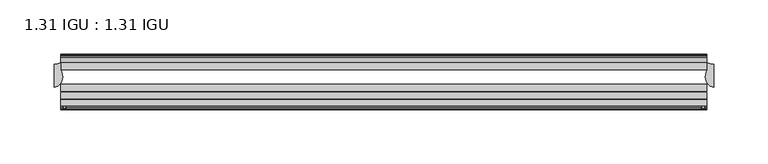
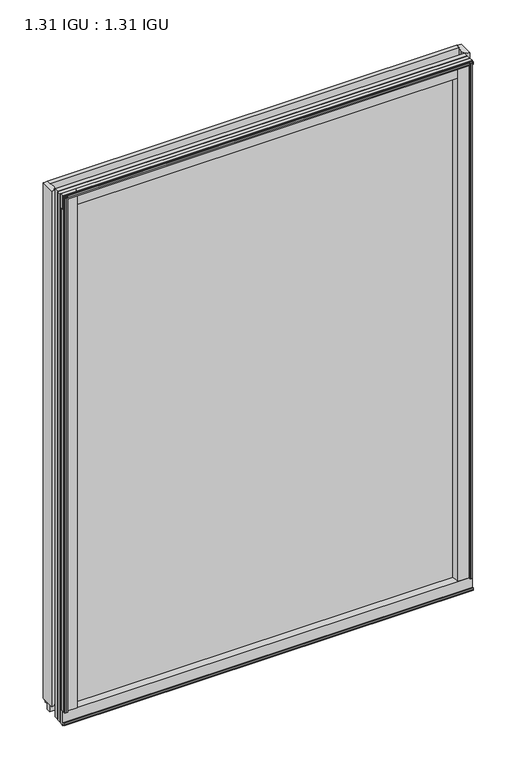
"""IFC4 building model written with IfcOpenShell, lengths in millimetres: plate geometry, 1.31 IGU : 1.31 IGU."""

from ifc_helpers import new_model, si_unit, point, frame, frame_2d, origin, origin_with_axes, place, context, project, spatial, polyline, circle_curve, ellipse_curve, trimmed, segment, composite_curve, outline, extrude, source, transform, mapped, element, save
from ifc_brep_helpers import plane_surface, cylinder_surface, revolved_surface, extruded_surface, advanced_brep


def plate_1_31_igu_1_31_igu_d8e0d981(model_context):
    return source(origin(), model_context, "Body", "SolidModel", [
        extrude(outline(composite_curve([segment(polyline([(293.6995906, -57.6333938), (277.5148437, -57.6333938)]), True, "CONTINUOUS"), segment(trimmed(circle_curve(frame_2d((270.2201146, -57.6547678)), 7.2947605), [point((277.5148437, -57.6333938))], [point((273.7724551, -51.2833938))], True, "CARTESIAN"), True, "CONTINUOUS"), segment(polyline([(273.7724551, -51.2833938), (296.642876, -51.2833938)]), True, "CONTINUOUS"), segment(trimmed(circle_curve(frame_2d((296.642876, -52.0707938)), 0.7874), [point((296.642876, -51.2833938))], [point((297.4244069, -51.9748338))], False, "CARTESIAN"), True, "CONTINUOUS"), segment(polyline([(297.4244069, -51.9748338), (298.1191906, -57.6333938), (296.1887906, -57.6333938), (295.7315906, -59.624458), (296.7329525, -59.3561439), (296.9761906, -60.263921), (294.9441906, -60.8083938), (292.9121906, -60.263921), (293.1554288, -59.3561439), (294.1567906, -59.624458), (293.6995906, -57.6333938)]), True, "CONTINUOUS")], self_intersect=False)), origin_with_axes(), (0.0, 0.0, 1.0), 793.75),
        extrude(outline(composite_curve([segment(polyline([(-277.8125, -57.6333937), (-293.9972469, -57.6333937), (-294.4544469, -59.624458), (-293.453085, -59.3561439), (-293.2098469, -60.263921), (-295.2418469, -60.8083937), (-297.2738469, -60.263921), (-297.0306088, -59.3561439), (-296.0292469, -59.624458), (-296.4864469, -57.6333937), (-298.4168469, -57.6333937), (-297.7220631, -51.9748338)]), True, "CONTINUOUS"), segment(trimmed(circle_curve(frame_2d((-296.9405323, -52.0707937)), 0.7874), [point((-297.7220631, -51.9748338))], [point((-296.9405323, -51.2833937))], False, "CARTESIAN"), True, "CONTINUOUS"), segment(polyline([(-296.9405323, -51.2833937), (-274.0701114, -51.2833937)]), True, "CONTINUOUS"), segment(trimmed(circle_curve(frame_2d((-270.5177708, -57.6547678)), 7.2947605), [point((-274.0701114, -51.2833937))], [point((-277.8125, -57.6333937))], True, "CARTESIAN"), True, "CONTINUOUS")], self_intersect=False)), origin_with_axes(), (0.0, 0.0, 1.0), 793.75),
        extrude(outline(polyline([(-9.7543937, -6.8579998), (-10.4009552, -9.2709998), (-11.2596632, -9.0409097), (-10.8839895, -7.6388763), (-13.1833937, -8.3819998), (-13.1833937, -11.7850089), (-17.9585937, -10.1533914), (-17.9585937, 0.6595133), (-13.1833937, -0.5079998), (-13.1833937, -5.4609998), (-10.8839895, -6.0771233), (-11.2596632, -4.6750899), (-10.4009552, -4.4449998), (-9.7543937, -6.8579998)])), frame((-298.45, 0.0, 0.0), z_axis=(1.0, 0.0, 0.0), x_axis=(0.0, 1.0, 0.0)), (0.0, 0.0, 1.0), 596.6023438),
        extrude(outline(composite_curve([segment(polyline([(-51.9748338, -19.930016), (-57.6333937, -20.6247998), (-57.6333937, -18.6943998), (-59.624458, -18.2371998), (-59.3561439, -19.2385617), (-60.263921, -19.4817998), (-60.8083937, -17.4497998), (-60.263921, -15.4177998), (-59.3561439, -15.6610379), (-59.624458, -16.6623998), (-57.6333937, -16.2051998), (-57.6333937, 0.0127002)]), True, "CONTINUOUS"), segment(trimmed(circle_curve(frame_2d((-58.1588233, 7.9620141)), 7.9666598), [point((-57.6333937, 0.0127002))], [point((-51.2833937, 3.9375717))], True, "CARTESIAN"), True, "CONTINUOUS"), segment(polyline([(-51.2833937, 3.9375717), (-51.2833937, -19.1484852)]), True, "CONTINUOUS"), segment(trimmed(circle_curve(frame_2d((-52.0707937, -19.1484852)), 0.7874), [point((-51.2833937, -19.1484852))], [point((-51.9748338, -19.930016))], False, "CARTESIAN"), True, "CONTINUOUS")], self_intersect=False)), frame((-298.45, 0.0, 0.0), z_axis=(1.0, 0.0, 0.0), x_axis=(0.0, 1.0, 0.0)), (0.0, 0.0, 1.0), 596.6023438),
        extrude(outline(polyline([(-17.9585937, 784.8533914), (-13.1833937, 786.4850089), (-13.1833937, 783.0819998), (-10.8839895, 782.3388763), (-11.2596632, 783.7409097), (-10.4009552, 783.9709998), (-9.7543937, 781.5579998), (-10.4009552, 779.1449998), (-11.2596632, 779.3750899), (-10.8839895, 780.7771233), (-13.1833937, 780.1609998), (-13.1833937, 775.2079998), (-17.9585937, 774.0404867), (-17.9585937, 784.8533914)])), frame((-298.45, 0.0, 0.0), z_axis=(1.0, 0.0, 0.0), x_axis=(0.0, 1.0, 0.0)), (0.0, 0.0, 1.0), 596.6023438),
        extrude(outline(composite_curve([segment(trimmed(circle_curve(frame_2d((-52.0707937, 793.8484852)), 0.7874), [point((-51.9748338, 794.630016))], [point((-51.2833937, 793.8484852))], False, "CARTESIAN"), True, "CONTINUOUS"), segment(polyline([(-51.2833937, 793.8484852), (-51.2833937, 770.7624283)]), True, "CONTINUOUS"), segment(trimmed(circle_curve(frame_2d((-58.1588233, 766.7379859)), 7.9666598), [point((-51.2833937, 770.7624283))], [point((-57.6333937, 774.6872998))], True, "CARTESIAN"), True, "CONTINUOUS"), segment(polyline([(-57.6333937, 774.6872998), (-57.6333937, 790.9051998), (-59.624458, 791.3623998), (-59.3561439, 790.3610379), (-60.263921, 790.1177998), (-60.8083937, 792.1497998), (-60.263921, 794.1817998), (-59.3561439, 793.9385617), (-59.624458, 792.9371998), (-57.6333937, 793.3943998), (-57.6333937, 795.3247998), (-51.9748338, 794.630016)]), True, "CONTINUOUS")], self_intersect=False)), frame((-298.45, 0.0, 0.0), z_axis=(1.0, 0.0, 0.0), x_axis=(0.0, 1.0, 0.0)), (0.0, 0.0, 1.0), 596.6023438),
        advanced_brep(
        [(-298.4372998, -24.3085938, 793.75), (-298.4372998, -17.9585937, 793.75), (-304.7872998, -18.9011397, 793.75), (-304.7872998, -40.2563586, 793.75), (-296.9784173, -31.0522937, 793.75), (-298.4372998, -24.3085938, 0.0), (-296.9784173, -31.0522937, 0.0), (-304.7872998, -40.2563586, 0.0), (-304.7872998, -18.9011397, 0.0), (-298.4372998, -17.9585937, 0.0)],
        [
            (0, 1),
            (1, 2, circle_curve(frame((-304.7872998, 2.9603377, 793.75), z_axis=(0.0, 0.0, -1.0), x_axis=(0.0, 1.0, 0.0)), 21.8614773)),
            (2, 3),
            (3, 4, ellipse_curve(frame((-304.7872998, -31.0522937, 793.75), z_axis=(0.0, 0.0, 1.0), x_axis=(0.0, -1.0, 0.0)), 9.2040648, 7.8088825)),
            (4, 0, circle_curve(frame((-313.2942711, -31.0522937, 793.75), z_axis=(0.0, 0.0, 1.0), x_axis=(0.0, 1.0, 0.0)), 16.3158538)),
            (5, 6, circle_curve(frame((-313.2942711, -31.0522937, 0.0), z_axis=(0.0, 0.0, -1.0), x_axis=(0.0, 1.0, 0.0)), 16.3158538)),
            (6, 7, ellipse_curve(frame((-304.7872998, -31.0522937, 0.0), z_axis=(0.0, 0.0, -1.0), x_axis=(0.0, -1.0, 0.0)), 9.2040648, 7.8088825)),
            (7, 8),
            (8, 9, circle_curve(frame((-304.7872998, 2.9603377, 0.0), z_axis=(0.0, 0.0, 1.0), x_axis=(0.0, 1.0, 0.0)), 21.8614773)),
            (9, 5),
            (0, 5),
            (9, 1),
            (8, 2),
            (7, 3),
            (6, 4),
        ],
        [
            plane_surface(frame((-273.05, -11.6085937, 793.75), z_axis=(0.0, 0.0, 1.0), x_axis=(0.0, 1.0, 0.0))),
            plane_surface(frame((-273.05, -11.6085937, 0.0), z_axis=(0.0, 0.0, -1.0), x_axis=(0.0, 1.0, 0.0))),
            plane_surface(frame((-298.4372998, -24.3085938, 793.75), z_axis=(1.0, 0.0, 0.0), x_axis=(0.0, 0.0, -1.0))),
            revolved_surface(polyline([(-304.7872998, 24.821815, 0.0), (-304.7872998, 24.821815, 793.75)]), (-304.7872998, 2.9603377, 793.75), (0.0, 0.0, -1.0)),
            plane_surface(frame((-304.7872998, -18.9011397, 793.75), z_axis=(-1.0, 0.0, 0.0), x_axis=(0.0, 0.0, -1.0))),
            extruded_surface(trimmed(ellipse_curve(frame((-304.7872998, -31.0522937, 0.0), z_axis=(0.0, 0.0, 1.0), x_axis=(0.0, -1.0, 0.0)), 9.2040648, 7.8088825), [point((-304.7872998, -40.2563586, 0.0))], [point((-296.9784173, -31.0522937, 0.0))], True, "CARTESIAN"), (0.0, 0.0, 793.75), 793.75),
            cylinder_surface(frame((-313.2942711, -31.0522937, 793.75), z_axis=(0.0, 0.0, 1.0), x_axis=(0.0, 1.0, 0.0)), 16.3158538),
        ],
        [
            (0, [[1, 2, 3, 4, 5]]),
            (1, [[6, 7, 8, 9, 10]]),
            (2, [[-1, 11, -10, 12]]),
            (3, [[-2, -12, -9, 13]]),
            (4, [[-3, -13, -8, 14]]),
            (5, [[-4, -14, -7, 15]]),
            (6, [[-5, -15, -6, -11]]),
        ],
    ),
        advanced_brep(
        [(304.8, -18.9011397, 793.75), (298.45, -17.9585938, 793.75), (298.45, -24.3085938, 793.75), (296.9911175, -31.0522938, 793.75), (304.8, -40.2563586, 793.75), (304.8, -18.9011397, 0.0), (304.8, -40.2563586, 0.0), (296.9911175, -31.0522938, 0.0), (298.45, -24.3085938, 0.0), (298.45, -17.9585938, 0.0)],
        [
            (0, 1, circle_curve(frame((304.8, 2.9603377, 793.75), z_axis=(0.0, 0.0, -1.0), x_axis=(0.0, 1.0, 0.0)), 21.8614773)),
            (1, 2),
            (2, 3, circle_curve(frame((313.3069713, -31.0522938, 793.75), z_axis=(0.0, 0.0, 1.0), x_axis=(0.0, 1.0, 0.0)), 16.3158538)),
            (3, 4, ellipse_curve(frame((304.8, -31.0522938, 793.75), z_axis=(0.0, 0.0, 1.0), x_axis=(0.0, -1.0, 0.0)), 9.2040648, 7.8088825)),
            (4, 0),
            (5, 6),
            (6, 7, ellipse_curve(frame((304.8, -31.0522938, 0.0), z_axis=(0.0, 0.0, -1.0), x_axis=(0.0, -1.0, 0.0)), 9.2040648, 7.8088825)),
            (7, 8, circle_curve(frame((313.3069713, -31.0522938, 0.0), z_axis=(0.0, 0.0, -1.0), x_axis=(0.0, 1.0, 0.0)), 16.3158538)),
            (8, 9),
            (9, 5, circle_curve(frame((304.8, 2.9603377, 0.0), z_axis=(0.0, 0.0, 1.0), x_axis=(0.0, 1.0, 0.0)), 21.8614773)),
            (0, 5),
            (9, 1),
            (8, 2),
            (7, 3),
            (6, 4),
        ],
        [
            plane_surface(frame((273.05, -11.6085938, 793.75), z_axis=(0.0, 0.0, 1.0), x_axis=(0.0, 1.0, 0.0))),
            plane_surface(frame((273.05, -11.6085938, 0.0), z_axis=(0.0, 0.0, -1.0), x_axis=(0.0, 1.0, 0.0))),
            revolved_surface(polyline([(304.8, 24.821815, 0.0), (304.8, 24.821815, 793.75)]), (304.8, 2.9603377, 793.75), (0.0, 0.0, -1.0)),
            plane_surface(frame((298.45, -17.9585938, 793.75), z_axis=(-1.0, 0.0, 0.0), x_axis=(0.0, 0.0, -1.0))),
            cylinder_surface(frame((313.3069713, -31.0522938, 793.75), z_axis=(0.0, 0.0, 1.0), x_axis=(0.0, 1.0, 0.0)), 16.3158538),
            extruded_surface(trimmed(ellipse_curve(frame((304.8, -31.0522938, 0.0), z_axis=(0.0, 0.0, 1.0), x_axis=(0.0, -1.0, 0.0)), 9.2040648, 7.8088825), [point((296.9911175, -31.0522938, 0.0))], [point((304.8, -40.2563586, 0.0))], True, "CARTESIAN"), (0.0, 0.0, 793.75), 793.75),
            plane_surface(frame((304.8, -40.2563586, 793.75), z_axis=(1.0, 0.0, 0.0), x_axis=(0.0, 0.0, -1.0))),
        ],
        [
            (0, [[1, 2, 3, 4, 5]]),
            (1, [[6, 7, 8, 9, 10]]),
            (2, [[-1, 11, -10, 12]]),
            (3, [[-2, -12, -9, 13]]),
            (4, [[-3, -13, -8, 14]]),
            (5, [[-4, -14, -7, 15]]),
            (6, [[-5, -15, -6, -11]]),
        ],
    ),
        extrude(outline(polyline([(298.1523437, -17.9585937), (298.1523437, -24.3085937), (-298.45, -24.3085937), (-298.45, -17.9585937), (298.1523437, -17.9585937)])), frame((0.0, 0.0, -19.0372998), z_axis=(0.0, 0.0, 1.0), x_axis=(1.0, 0.0, 0.0)), (0.0, 0.0, 1.0), 812.7872998),
        extrude(outline(polyline([(-298.45, -44.1459937), (-298.45, -37.7959937), (298.1523437, -37.7959937), (298.1523437, -44.1459937), (-298.45, -44.1459937)])), frame((0.0, 0.0, -19.0372998), z_axis=(0.0, 0.0, 1.0), x_axis=(1.0, 0.0, 0.0)), (0.0, 0.0, 1.0), 812.7872998),
        extrude(outline(polyline([(-298.45, -51.2833937), (-298.45, -44.9333937), (298.1523437, -44.9333937), (298.1523437, -51.2833937), (-298.45, -51.2833937)])), frame((0.0, 0.0, -19.0372998), z_axis=(0.0, 0.0, 1.0), x_axis=(1.0, 0.0, 0.0)), (0.0, 0.0, 1.0), 812.7872998),
    ])


if __name__ == "__main__":
    model = new_model("IFC4")
    model_context = context("Model", 3, world=origin())
    ifc_project = project(units=[si_unit("LENGTHUNIT", "METRE", prefix="MILLI")], contexts=[model_context])
    site = spatial("IfcSite", under=ifc_project)
    building = spatial("IfcBuilding", under=site)
    placement = place(None, origin())
    plate_1_31_igu_1_31_igu_shape = plate_1_31_igu_1_31_igu_d8e0d981(model_context)
    element("IfcPlate", 1, ObjectType="1.31 IGU : 1.31 IGU", at=placement, inside=building, context=model_context, shape_type="MappedRepresentation", body=[
        mapped(plate_1_31_igu_1_31_igu_shape, transform((0.0, 0.0, 0.0), x_axis=(1.0, 0.0, 0.0), y_axis=(0.0, 1.0, 0.0), z_axis=(0.0, 0.0, 1.0))),
    ])
    save(model, "model.ifc")
